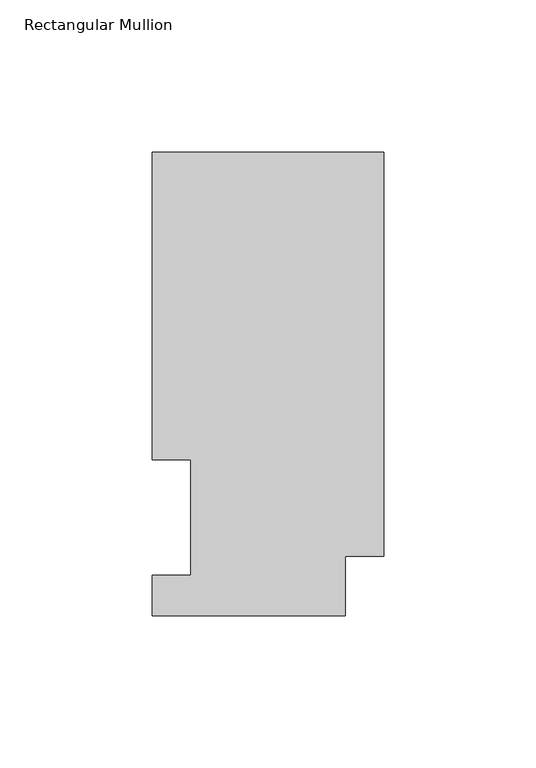
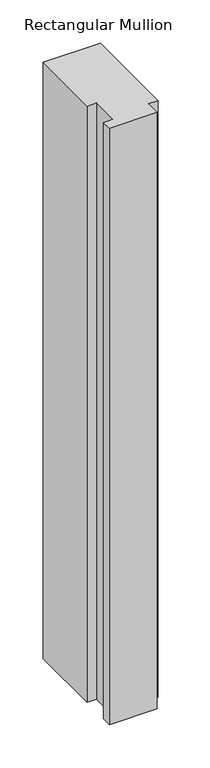
"""IFC4 building model written with IfcOpenShell, lengths in millimetres: member geometry, Rectangular Mullion."""

from ifc_helpers import new_model, si_unit, frame, origin, place, context, project, spatial, polyline, outline, extrude, source, transform, mapped, element, save


def rectangular_mullion_7e407c34(model_context):
    return source(origin(), model_context, "Body", "SweptSolid", [
        extrude(outline(polyline([(0.0, 152.4896937), (0.0, 19.5455957), (-12.7, 19.5455957), (-12.7, 0.0134938), (-76.2, 0.0134938), (-76.2, 13.1960938), (-63.5, 13.1960938), (-63.5, 51.2960937), (-76.2, 51.2960937), (-76.2, 152.4896937), (0.0, 152.4896937)])), frame((0.0, 0.0, -838.2), z_axis=(0.0, 0.0, 1.0), x_axis=(1.0, 0.0, 0.0)), (0.0, 0.0, 1.0), 838.2),
    ])


if __name__ == "__main__":
    model = new_model("IFC4")
    model_context = context("Model", 3, world=origin())
    ifc_project = project(units=[si_unit("LENGTHUNIT", "METRE", prefix="MILLI")], contexts=[model_context])
    site = spatial("IfcSite", under=ifc_project)
    building = spatial("IfcBuilding", under=site)
    placement = place(None, origin())
    rectangular_mullion_shape = rectangular_mullion_7e407c34(model_context)
    element("IfcMember", 1, ObjectType="Rectangular Mullion", at=placement, inside=building, context=model_context, shape_type="MappedRepresentation", body=[
        mapped(rectangular_mullion_shape, transform((0.0, 0.0, 0.0), x_axis=(1.0, 0.0, 0.0), y_axis=(0.0, 1.0, 0.0), z_axis=(0.0, 0.0, 1.0))),
    ])
    save(model, "model.ifc")
